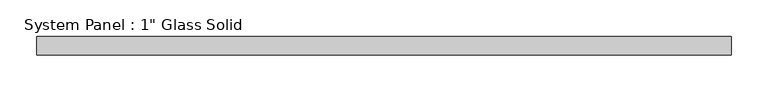
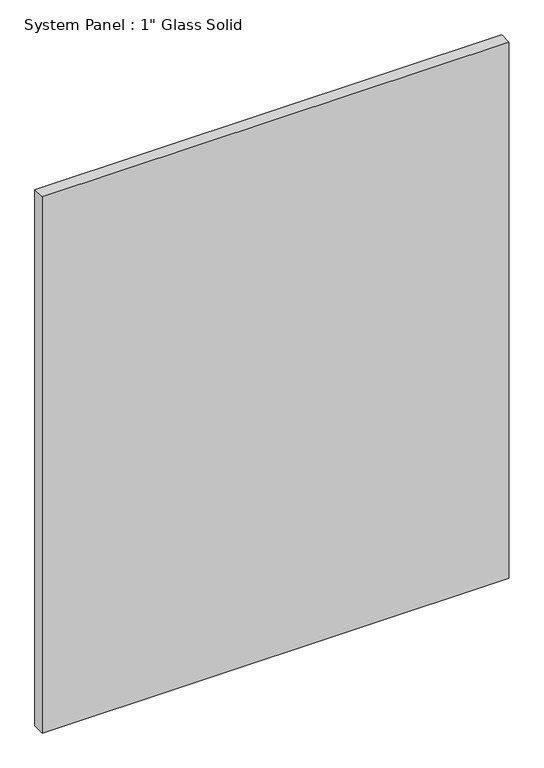
"""IFC4 building model written with IfcOpenShell, lengths in millimetres: plate geometry."""

from ifc_helpers import new_model, si_unit, origin, origin_with_axes, place, context, project, spatial, polyline, outline, extrude, source, transform, mapped, element, save


def plate_229535b7(model_context):
    return source(origin(), model_context, "Body", "SweptSolid", [
        extrude(outline(polyline([(473.0767704, -12.7), (-473.0767704, -12.7), (-473.0767704, 12.7), (473.0767704, 12.7), (473.0767704, -12.7)])), origin_with_axes(), (0.0, 0.0, 1.0), 1149.3517704),
    ])


if __name__ == "__main__":
    model = new_model("IFC4")
    model_context = context("Model", 3, world=origin())
    ifc_project = project(units=[si_unit("LENGTHUNIT", "METRE", prefix="MILLI")], contexts=[model_context])
    site = spatial("IfcSite", under=ifc_project)
    building = spatial("IfcBuilding", under=site)
    placement = place(None, origin())
    plate_shape = plate_229535b7(model_context)
    element("IfcPlate", 1, ObjectType="System Panel : 1\" Glass Solid", at=placement, inside=building, context=model_context, shape_type="MappedRepresentation", body=[
        mapped(plate_shape, transform((0.0, 0.0, 0.0), x_axis=(1.0, 0.0, 0.0), y_axis=(0.0, 1.0, 0.0), z_axis=(0.0, 0.0, 1.0))),
    ])
    save(model, "model.ifc")
